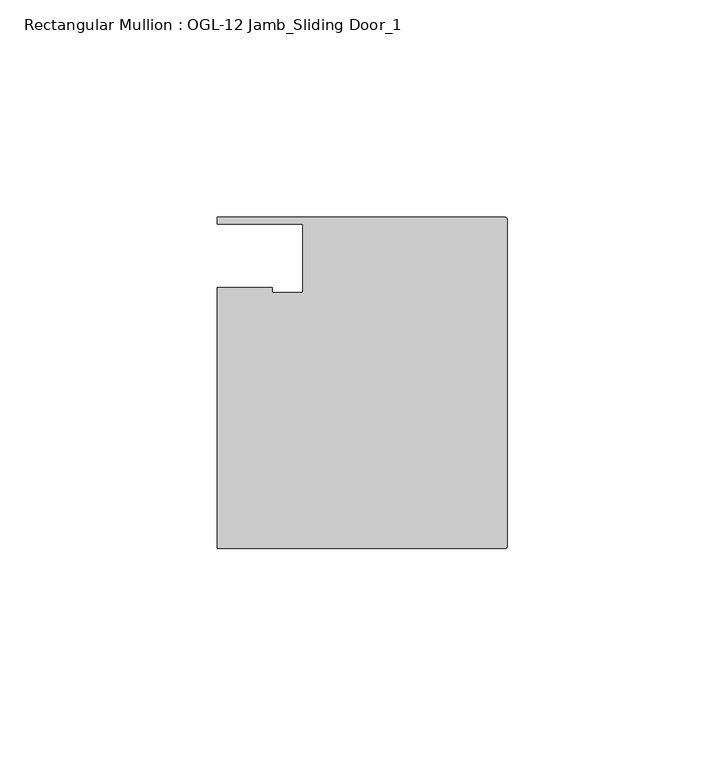
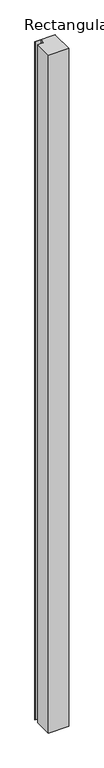
"""IFC4 building model written with IfcOpenShell, lengths in millimetres: member geometry, Rectangular Mullion : OGL-12 Jamb_Sliding Door_1."""

from ifc_helpers import new_model, si_unit, point, frame, frame_2d, origin, place, context, project, spatial, polyline, circle_curve, trimmed, segment, composite_curve, outline, extrude, source, transform, mapped, element, save


def rectangular_mullion_ogl_12_jamb_sliding_door_1_ec2724f3(model_context):
    return source(origin(), model_context, "Body", "SweptSolid", [
        extrude(outline(composite_curve([segment(polyline([(-47.0121851, 36.512516), (-66.6649711, 36.512516), (-66.6649711, 38.100016), (-0.5953125, 38.100016)]), True, "CONTINUOUS"), segment(trimmed(circle_curve(frame_2d((-0.5953125, 37.5047035)), 0.5953125), [point((-0.5953125, 38.100016))], [point((0.0, 37.5047035))], False, "CARTESIAN"), True, "CONTINUOUS"), segment(polyline([(0.0, 37.5047035), (0.0, -37.5043667)]), True, "CONTINUOUS"), segment(trimmed(circle_curve(frame_2d((-0.5953125, -37.5043667)), 0.5953125), [point((0.0, -37.5043667))], [point((-0.5953125, -38.0996792))], False, "CARTESIAN"), True, "CONTINUOUS"), segment(polyline([(-0.5953125, -38.0996792), (-66.6740655, -38.0996792), (-66.6740655, 21.9710976), (-54.0386602, 21.9710976), (-54.0386602, 20.8257348), (-47.0121851, 20.8257348), (-47.0121851, 36.512516)]), True, "CONTINUOUS")], self_intersect=False)), frame((0.0, 0.0, -2339.914687), z_axis=(0.0, 0.0, 1.0), x_axis=(1.0, 0.0, 0.0)), (0.0, 0.0, 1.0), 2339.914687),
    ])


if __name__ == "__main__":
    model = new_model("IFC4")
    model_context = context("Model", 3, world=origin())
    ifc_project = project(units=[si_unit("LENGTHUNIT", "METRE", prefix="MILLI")], contexts=[model_context])
    site = spatial("IfcSite", under=ifc_project)
    building = spatial("IfcBuilding", under=site)
    placement = place(None, origin())
    rectangular_mullion_ogl_12_jamb_sliding_door_1_shape = rectangular_mullion_ogl_12_jamb_sliding_door_1_ec2724f3(model_context)
    element("IfcMember", 1, ObjectType="Rectangular Mullion : OGL-12 Jamb_Sliding Door_1", at=placement, inside=building, context=model_context, shape_type="MappedRepresentation", body=[
        mapped(rectangular_mullion_ogl_12_jamb_sliding_door_1_shape, transform((0.0, 0.0, 0.0), x_axis=(1.0, 0.0, 0.0), y_axis=(0.0, 1.0, 0.0), z_axis=(0.0, 0.0, 1.0))),
    ])
    save(model, "model.ifc")
